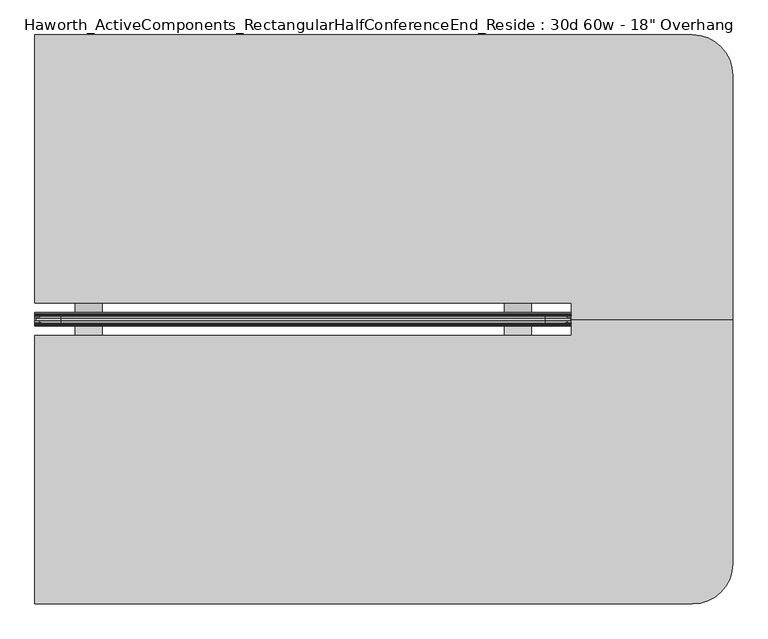
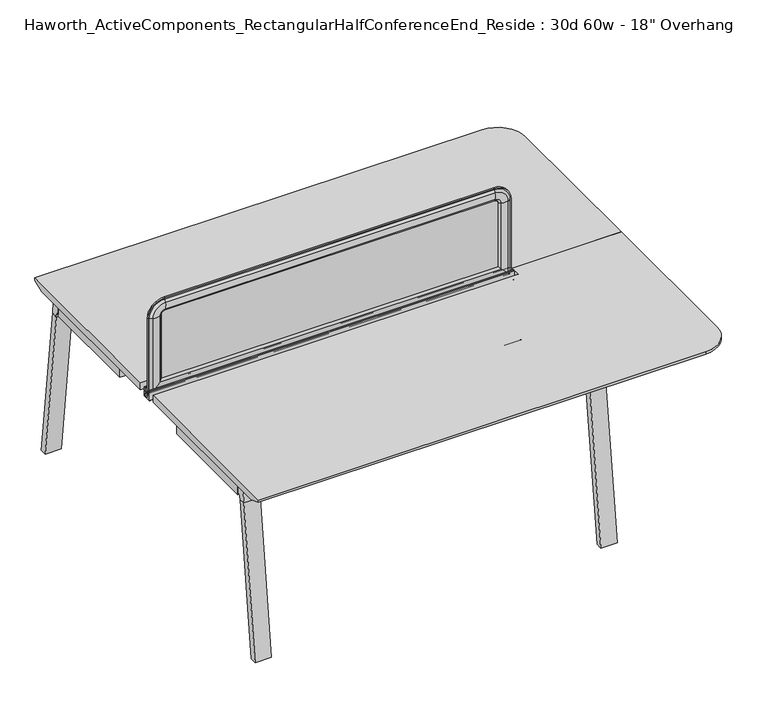
"""IFC4 building model written with IfcOpenShell, lengths in millimetres: furniture geometry."""

from ifc_helpers import new_model, si_unit, point, frame, frame_2d, origin, place, context, project, spatial, polyline, circle_curve, ellipse_curve, trimmed, segment, composite_curve, outline, extrude, source, transform, mapped, element, save
from ifc_brep_helpers import plane_surface, cylinder_surface, revolved_surface, advanced_brep


def furniture_6a80617e(model_context):
    return source(origin(), model_context, "Body", "SolidModel", [
        extrude(outline(polyline([(-102.8131637, 708.5329874), (-151.7557795, 708.5329874), (-179.9497776, 698.5000242), (-219.096734, 698.5000242), (-247.7511736, 708.5329874), (-296.6937894, 708.5329874), (-296.6937894, 711.1999758), (-247.2908229, 711.1999031), (-219.0967817, 701.1670126), (-180.4101714, 701.1670126), (-152.2161302, 711.1999031), (-102.8131637, 711.1999758), (-102.8131637, 708.5329874)])), frame((787.4, 0.0, 0.0), z_axis=(1.0, 0.0, 0.0), x_axis=(0.0, 1.0, 0.0)), (0.0, 0.0, 1.0), 76.2),
        extrude(outline(polyline([(-102.8131637, 708.5329874), (-151.7557795, 708.5329874), (-179.9497776, 698.5000242), (-219.096734, 698.5000242), (-247.7511736, 708.5329874), (-296.6937894, 708.5329874), (-296.6937894, 711.1999758), (-247.2908229, 711.1999031), (-219.0967817, 701.1670126), (-180.4101714, 701.1670126), (-152.2161302, 711.1999031), (-102.8131637, 711.1999758), (-102.8131637, 708.5329874)])), frame((-431.8, 0.0, 0.0), z_axis=(1.0, 0.0, 0.0), x_axis=(0.0, 1.0, 0.0)), (0.0, 0.0, 1.0), 76.2),
        extrude(outline(composite_curve([segment(polyline([(-208.7577768, 705.1294161), (-190.7491763, 705.1294161), (-190.7491763, 716.8133686), (-194.6734763, 716.8133686), (-194.6734763, 718.8200048), (-189.5045768, 718.8200048), (-189.5045768, 721.0551882), (-188.310777, 722.0711872), (-188.310777, 737.1334219), (-189.5045768, 738.1494209), (-189.5045768, 740.1051882), (-188.4578397, 740.9960276)]), True, "CONTINUOUS"), segment(trimmed(circle_curve(frame_2d((-188.0216309, 740.4834819)), 0.6730388), [point((-188.4578397, 740.9960276))], [point((-187.3580762, 740.5960712))], False, "CARTESIAN"), True, "CONTINUOUS"), segment(polyline([(-187.3580762, 740.5960712), (-186.2533763, 734.0854248), (-186.2533763, 721.131419), (-183.1037763, 721.131419), (-183.1037763, 725.1191843), (-182.3544761, 725.8812017), (-182.3544761, 740.3039756)]), True, "CONTINUOUS"), segment(trimmed(circle_curve(frame_2d((-181.5543762, 740.3039756)), 0.8000999), [point((-182.3544761, 740.3039756))], [point((-180.7542763, 740.3039756))], False, "CARTESIAN"), True, "CONTINUOUS"), segment(polyline([(-180.7542763, 740.3039756), (-180.7542763, 702.1830128)]), True, "CONTINUOUS"), segment(trimmed(circle_curve(frame_2d((-181.7702764, 702.1830128)), 1.0160002), [point((-180.7542763, 702.1830128))], [point((-181.7702764, 701.1670126))], False, "CARTESIAN"), True, "CONTINUOUS"), segment(polyline([(-181.7702764, 701.1670126), (-217.7366767, 701.1670126)]), True, "CONTINUOUS"), segment(trimmed(circle_curve(frame_2d((-217.7366767, 702.1830128)), 1.0160002), [point((-217.7366767, 701.1670126))], [point((-218.7526768, 702.1830128))], False, "CARTESIAN"), True, "CONTINUOUS"), segment(polyline([(-218.7526768, 702.1830128), (-218.7526768, 740.3039756)]), True, "CONTINUOUS"), segment(trimmed(circle_curve(frame_2d((-217.9525769, 740.3039756)), 0.8000999), [point((-218.7526768, 740.3039756))], [point((-217.152477, 740.3039756))], False, "CARTESIAN"), True, "CONTINUOUS"), segment(polyline([(-217.152477, 740.3039756), (-217.152477, 725.8812017), (-216.4031768, 725.1191843), (-216.4031768, 721.131419), (-213.2535769, 721.131419), (-213.2535769, 734.0854248), (-212.1488769, 740.5960712)]), True, "CONTINUOUS"), segment(trimmed(circle_curve(frame_2d((-211.4853222, 740.4834819)), 0.6730388), [point((-212.1488769, 740.5960712))], [point((-211.0491134, 740.9960276))], False, "CARTESIAN"), True, "CONTINUOUS"), segment(polyline([(-211.0491134, 740.9960276), (-210.0023763, 740.1051882), (-210.0023763, 738.1494209), (-211.1961761, 737.1334219), (-211.1961761, 722.0711872), (-210.0023763, 721.0551882), (-210.0023763, 718.8200048), (-204.8334768, 718.8200048), (-204.8334768, 716.8133686), (-208.7577768, 716.8133686), (-208.7577768, 705.1294161)]), True, "CONTINUOUS")], self_intersect=False)), frame((-546.1, 0.0, 0.0), z_axis=(1.0, 0.0, 0.0), x_axis=(0.0, 1.0, 0.0)), (0.0, 0.0, 1.0), 1524.0),
        extrude(outline(composite_curve([segment(polyline([(-891.6458875, 655.8564478), (-885.4428556, 706.4375), (-849.0409766, 706.4375), (-849.0409766, 676.1402033), (-850.2831935, 676.1402033)]), True, "CONTINUOUS"), segment(trimmed(circle_curve(frame_2d((-850.2831935, 663.4402033)), 12.7), [point((-850.2831935, 676.1402033))], [point((-862.8887567, 664.9860929))], True, "CARTESIAN"), True, "CONTINUOUS"), segment(polyline([(-862.8887567, 664.9860929), (-864.4178701, 652.5173267), (-891.6458875, 655.8564478)]), True, "CONTINUOUS")], self_intersect=False)), frame((-539.6507813, 0.0, 0.0), z_axis=(1.0, 0.0, 0.0), x_axis=(0.0, 1.0, 0.0)), (0.0, 0.0, 1.0), 67.6671875),
        extrude(outline(polyline([(-972.0771615, 0.0), (-891.6458875, 655.8564478), (-864.4178701, 652.5173267), (-944.4396597, 0.0), (-972.0771615, 0.0)])), frame((-539.6507813, 0.0, 0.0), z_axis=(1.0, 0.0, 0.0), x_axis=(0.0, 1.0, 0.0)), (0.0, 0.0, 1.0), 67.6671875),
        extrude(outline(composite_curve([segment(polyline([(-891.6458875, 655.8564478), (-885.4428556, 706.4375), (-849.0409766, 706.4375), (-849.0409766, 676.1402033), (-850.2831935, 676.1402033)]), True, "CONTINUOUS"), segment(trimmed(circle_curve(frame_2d((-850.2831935, 663.4402033)), 12.7), [point((-850.2831935, 676.1402033))], [point((-862.8887567, 664.9860929))], True, "CARTESIAN"), True, "CONTINUOUS"), segment(polyline([(-862.8887567, 664.9860929), (-864.4178701, 652.5173267), (-891.6458875, 655.8564478)]), True, "CONTINUOUS")], self_intersect=False)), frame((903.7835938, 0.0, 0.0), z_axis=(1.0, 0.0, 0.0), x_axis=(0.0, 1.0, 0.0)), (0.0, 0.0, 1.0), 67.6671875),
        extrude(outline(polyline([(-972.0771615, 0.0), (-891.6458875, 655.8564478), (-864.4178701, 652.5173267), (-944.4396597, 0.0), (-972.0771615, 0.0)])), frame((903.7835938, 0.0, 0.0), z_axis=(1.0, 0.0, 0.0), x_axis=(0.0, 1.0, 0.0)), (0.0, 0.0, 1.0), 67.6671875),
        extrude(outline(composite_curve([segment(polyline([(492.1389344, 655.8564478), (464.910917, 652.5173267), (463.3818036, 664.9860929)]), True, "CONTINUOUS"), segment(trimmed(circle_curve(frame_2d((450.7762403, 663.4402033)), 12.7), [point((463.3818036, 664.9860929))], [point((450.7762403, 676.1402033))], True, "CARTESIAN"), True, "CONTINUOUS"), segment(polyline([(450.7762403, 676.1402033), (449.5340234, 676.1402033), (449.5340234, 706.4375), (485.9359025, 706.4375), (492.1389344, 655.8564478)]), True, "CONTINUOUS")], self_intersect=False)), frame((-539.6507813, 0.0, 0.0), z_axis=(1.0, 0.0, 0.0), x_axis=(0.0, 1.0, 0.0)), (0.0, 0.0, 1.0), 67.6671875),
        extrude(outline(polyline([(572.5702084, 0.0), (544.9327065, 0.0), (464.910917, 652.5173267), (492.1389344, 655.8564478), (572.5702084, 0.0)])), frame((-539.6507813, 0.0, 0.0), z_axis=(1.0, 0.0, 0.0), x_axis=(0.0, 1.0, 0.0)), (0.0, 0.0, 1.0), 67.6671875),
        extrude(outline(composite_curve([segment(polyline([(492.1389344, 655.8564478), (464.910917, 652.5173267), (463.3818036, 664.9860929)]), True, "CONTINUOUS"), segment(trimmed(circle_curve(frame_2d((450.7762403, 663.4402033)), 12.7), [point((463.3818036, 664.9860929))], [point((450.7762403, 676.1402033))], True, "CARTESIAN"), True, "CONTINUOUS"), segment(polyline([(450.7762403, 676.1402033), (449.5340234, 676.1402033), (449.5340234, 706.4375), (485.9359025, 706.4375), (492.1389344, 655.8564478)]), True, "CONTINUOUS")], self_intersect=False)), frame((903.7835938, 0.0, 0.0), z_axis=(1.0, 0.0, 0.0), x_axis=(0.0, 1.0, 0.0)), (0.0, 0.0, 1.0), 67.6671875),
        extrude(outline(polyline([(572.5702084, 0.0), (544.9327065, 0.0), (464.910917, 652.5173267), (492.1389344, 655.8564478), (572.5702084, 0.0)])), frame((903.7835938, 0.0, 0.0), z_axis=(1.0, 0.0, 0.0), x_axis=(0.0, 1.0, 0.0)), (0.0, 0.0, 1.0), 67.6671875),
        extrude(outline(composite_curve([segment(trimmed(circle_curve(frame_2d((331.6621484, 673.1634651)), 1.5875), [point((331.6621484, 671.5759651))], [point((330.0746484, 673.1634651))], False, "CARTESIAN"), True, "CONTINUOUS"), segment(polyline([(330.0746484, 673.1634651), (330.0746484, 705.040468)]), True, "CONTINUOUS"), segment(trimmed(circle_curve(frame_2d((331.6621484, 705.040468)), 1.5875), [point((330.0746484, 705.040468))], [point((331.6621484, 706.627968))], False, "CARTESIAN"), True, "CONTINUOUS"), segment(polyline([(331.6621484, 706.627968), (363.5391514, 706.627968)]), True, "CONTINUOUS"), segment(trimmed(circle_curve(frame_2d((363.5391514, 705.040468)), 1.5875), [point((363.5391514, 706.627968))], [point((365.1266514, 705.040468))], False, "CARTESIAN"), True, "CONTINUOUS"), segment(polyline([(365.1266514, 705.040468), (365.1266514, 673.1634651)]), True, "CONTINUOUS"), segment(trimmed(circle_curve(frame_2d((363.5391514, 673.1634651)), 1.5875), [point((365.1266514, 673.1634651))], [point((363.5391514, 671.5759651))], False, "CARTESIAN"), True, "CONTINUOUS"), segment(polyline([(363.5391514, 671.5759651), (331.6621484, 671.5759651)]), True, "CONTINUOUS")], self_intersect=False)), frame((-399.6569067, 0.0, 0.0), z_axis=(1.0, 0.0, 0.0), x_axis=(0.0, 1.0, 0.0)), (0.0, 0.0, 1.0), 1231.1138134),
        extrude(outline(composite_curve([segment(polyline([(122.9058984, 671.5759651), (91.0288955, 671.5759651)]), True, "CONTINUOUS"), segment(trimmed(circle_curve(frame_2d((91.0288955, 673.1634651)), 1.5875), [point((91.0288955, 671.5759651))], [point((89.4413955, 673.1634651))], False, "CARTESIAN"), True, "CONTINUOUS"), segment(polyline([(89.4413955, 673.1634651), (89.4413955, 705.040468)]), True, "CONTINUOUS"), segment(trimmed(circle_curve(frame_2d((91.0288955, 705.040468)), 1.5875), [point((89.4413955, 705.040468))], [point((91.0288955, 706.627968))], False, "CARTESIAN"), True, "CONTINUOUS"), segment(polyline([(91.0288955, 706.627968), (122.9058984, 706.627968)]), True, "CONTINUOUS"), segment(trimmed(circle_curve(frame_2d((122.9058984, 705.040468)), 1.5875), [point((122.9058984, 706.627968))], [point((124.4933984, 705.040468))], False, "CARTESIAN"), True, "CONTINUOUS"), segment(polyline([(124.4933984, 705.040468), (124.4933984, 673.1634651)]), True, "CONTINUOUS"), segment(trimmed(circle_curve(frame_2d((122.9058984, 673.1634651)), 1.5875), [point((124.4933984, 673.1634651))], [point((122.9058984, 671.5759651))], False, "CARTESIAN"), True, "CONTINUOUS")], self_intersect=False)), frame((-399.6569067, 0.0, 0.0), z_axis=(1.0, 0.0, 0.0), x_axis=(0.0, 1.0, 0.0)), (0.0, 0.0, 1.0), 1231.1138134),
        extrude(outline(polyline([(-539.8109398, 449.3435251), (-472.3009067, 449.3435251), (-472.3009067, 441.9775234), (-399.6569067, 369.3335234), (-399.6569067, 294.4035234), (-472.3009067, 265.1300234), (-472.3009067, 189.4380234), (-399.6569067, 160.1645234), (-399.6569067, 85.2345234), (-472.3009067, 12.5905234), (-472.3009067, 5.2245217), (-539.8109398, 5.2245217), (-539.8109398, 449.3435251)])), frame((0.0, 0.0, 665.95625), z_axis=(0.0, 0.0, 1.0), x_axis=(1.0, 0.0, 0.0)), (0.0, 0.0, 1.0), 45.24375),
        extrude(outline(polyline([(971.6109398, 449.3435251), (971.6109398, 5.2245217), (904.1009067, 5.2245217), (904.1009067, 12.5905234), (831.4569067, 85.2345234), (831.4569067, 160.1645234), (904.1009067, 189.4380234), (904.1009067, 265.1300234), (831.4569067, 294.4035234), (831.4569067, 369.3335234), (904.1009067, 441.9775234), (904.1009067, 449.3435251), (971.6109398, 449.3435251)])), frame((0.0, 0.0, 665.95625), z_axis=(0.0, 0.0, 1.0), x_axis=(1.0, 0.0, 0.0)), (0.0, 0.0, 1.0), 45.24375),
        advanced_brep(
        [(977.9, -153.7159766, 741.3625), (977.9, -199.7534766, 741.3625), (1435.1, -199.7534766, 741.3625), (1435.1, 493.9840234, 741.3625), (1320.8, 608.2840234, 741.3625), (-546.1, 608.2840234, 741.3625), (-546.1, -153.7159766, 741.3625), (977.9, -153.7159766, 711.2), (-546.1, -153.7159766, 711.2), (-546.1, 557.4840234, 711.2), (1320.8, 557.4840234, 711.2), (1384.3, 493.9840234, 711.2), (1384.3, -199.7534766, 711.2), (977.9, -199.7534766, 711.2), (-546.1, 608.2840234, 731.8375), (1320.8, 608.2840234, 731.8375), (1435.1, -199.7534766, 731.8375), (1435.1, 493.9840234, 731.8375)],
        [
            (0, 1),
            (1, 2),
            (2, 3),
            (3, 4, circle_curve(frame((1320.8, 493.9840234, 741.3625), z_axis=(0.0, 0.0, 1.0), x_axis=(1.0, 0.0, 0.0)), 114.3)),
            (4, 5),
            (5, 6),
            (6, 0),
            (7, 8),
            (8, 9),
            (9, 10),
            (10, 11, circle_curve(frame((1320.8, 493.9840234, 711.2), z_axis=(0.0, 0.0, -1.0), x_axis=(0.0, 1.0, 0.0)), 63.5)),
            (11, 12),
            (12, 13),
            (13, 7),
            (6, 8),
            (7, 0),
            (5, 14),
            (14, 9),
            (4, 15),
            (15, 14),
            (2, 16),
            (16, 17),
            (17, 3),
            (17, 15, circle_curve(frame((1320.8, 493.9840234, 731.8375), z_axis=(0.0, 0.0, 1.0), x_axis=(1.0, 0.0, 0.0)), 114.3)),
            (1, 13),
            (12, 16),
            (15, 10),
            (17, 11),
        ],
        [
            plane_surface(frame((-546.1, -153.7159766, 741.3625), z_axis=(0.0, 0.0, 1.0), x_axis=(-1.0, 0.0, 0.0))),
            plane_surface(frame((-546.1, -153.7159766, 711.2), z_axis=(0.0, 0.0, -1.0), x_axis=(1.0, 0.0, 0.0))),
            plane_surface(frame((977.9, -153.7159766, 741.3625), z_axis=(0.0, -1.0, 0.0), x_axis=(0.0, 0.0, -1.0))),
            plane_surface(frame((-546.1, -153.7159766, 741.3625), z_axis=(-1.0, 0.0, 0.0), x_axis=(0.0, 0.0, -1.0))),
            plane_surface(frame((-546.1, 608.2840234, 741.3625), z_axis=(0.0, 1.0, 0.0), x_axis=(0.0, 0.0, -1.0))),
            plane_surface(frame((1435.1, 493.9840234, 741.3625), z_axis=(1.0, 0.0, 0.0), x_axis=(0.0, 0.0, -1.0))),
            cylinder_surface(frame((1320.8, 493.9840234, 711.2), z_axis=(0.0, 0.0, 1.0), x_axis=(1.0, 0.0, 0.0)), 114.3),
            plane_surface(frame((1435.1, -199.7534766, 741.3625), z_axis=(0.0, -1.0, 0.0), x_axis=(0.0, 0.0, -1.0))),
            plane_surface(frame((977.9, -199.7534766, 741.3625), z_axis=(-1.0, 0.0, 0.0), x_axis=(0.0, 0.0, -1.0))),
            plane_surface(frame((-546.1, 608.2840234, 731.8375), z_axis=(0.0, 0.376377046957703, -0.9264665771215921), x_axis=(1.0, 0.0, 0.0))),
            revolved_surface(polyline([(1320.8, 557.4840234, 711.2), (1320.8, 608.2840234, 731.8375)]), (1320.8, 493.9840234, 0.0), (0.0, 0.0, 1.0)),
            plane_surface(frame((1435.1, 493.9840234, 731.8375), z_axis=(0.376377046957703, 0.0, -0.9264665771215921), x_axis=(0.0, -1.0, 0.0))),
        ],
        [
            (0, [[1, 2, 3, 4, 5, 6, 7]]),
            (1, [[8, 9, 10, 11, 12, 13, 14]]),
            (2, [[15, -8, 16, -7]]),
            (3, [[17, 18, -9, -15, -6]]),
            (4, [[19, 20, -17, -5]]),
            (5, [[21, 22, 23, -3]]),
            (6, [[-23, 24, -19, -4]]),
            (7, [[25, -13, 26, -21, -2]]),
            (8, [[-16, -14, -25, -1]]),
            (9, [[-10, -18, -20, 27]]),
            (10, [[-24, 28, -11, -27]]),
            (11, [[-22, -26, -12, -28]]),
        ],
    ),
        advanced_brep(
        [(-542.1096882, -202.9284766, 1050.2564604), (-542.1096882, -196.5784766, 1050.2564604), (-542.1096882, -196.5784766, 715.4852418), (-542.1096882, -202.9284766, 715.4852418), (-526.5815318, -209.5746374, 1050.2564604), (-536.2365135, -202.9284766, 1050.2564604), (-536.2365135, -202.9284766, 721.3584165), (-526.5815318, -209.5746374, 731.0133982), (-497.6002339, -209.0412011, 1050.2564604), (-497.6002339, -209.0412011, 759.994696), (-487.807009, -202.9284766, 1050.2564604), (-487.807009, -202.9284766, 769.787921), (-487.807009, -196.5784766, 1050.2564604), (-487.807009, -196.5784766, 769.787921), (-497.6002339, -190.465752, 1050.2564604), (-497.6002339, -190.465752, 759.994696), (-526.5815318, -189.9323157, 1050.2564604), (-526.5815318, -189.9323157, 731.0133982), (-536.2365135, -196.5784766, 1050.2564604), (-536.2365135, -196.5784766, 721.3584165), (973.9096859, -196.5784766, 715.4852418), (973.9096859, -202.9284766, 715.4852418), (968.0365112, -202.9284766, 721.3584165), (958.3815295, -209.5746374, 731.0133982), (929.4002317, -209.0412011, 759.994696), (919.6070068, -202.9284766, 769.787921), (919.6070068, -196.5784766, 769.787921), (929.4002317, -190.465752, 759.994696), (958.3815295, -189.9323157, 731.0133982), (968.0365112, -196.5784766, 721.3584165), (973.9096859, -196.5784766, 1050.2564604), (973.9096859, -202.9284766, 1050.2564604), (968.0365112, -202.9284766, 1050.2564604), (958.3815295, -209.5746374, 1050.2564604), (929.4002317, -209.0412011, 1050.2564604), (919.6070068, -202.9284766, 1050.2564604), (919.6070068, -196.5784766, 1050.2564604), (929.4002317, -190.465752, 1050.2564604), (958.3815295, -189.9323157, 1050.2564604), (968.0365112, -196.5784766, 1050.2564604), (903.7320068, -202.9284766, 1120.4341395), (903.7320068, -196.5784766, 1120.4341395), (903.7320068, -209.5746374, 1104.9059832), (903.7320068, -202.9284766, 1114.5609648), (903.7320068, -209.0412011, 1075.9246853), (903.7320068, -202.9284766, 1066.1314604), (903.7320068, -196.5784766, 1066.1314604), (903.7320068, -190.465752, 1075.9246853), (903.7320068, -189.9323157, 1104.9059832), (903.7320068, -196.5784766, 1114.5609648), (-471.932009, -196.5784766, 1120.4341395), (-471.932009, -202.9284766, 1120.4341395), (-471.932009, -202.9284766, 1114.5609648), (-471.932009, -209.5746374, 1104.9059832), (-471.932009, -209.0412011, 1075.9246853), (-471.932009, -202.9284766, 1066.1314604), (-471.932009, -196.5784766, 1066.1314604), (-471.932009, -190.465752, 1075.9246853), (-471.932009, -189.9323157, 1104.9059832), (-471.932009, -196.5784766, 1114.5609648)],
        [
            (0, 1),
            (1, 2),
            (2, 3),
            (3, 0),
            (4, 5, circle_curve(frame((-522.3864346, -193.1443023, 1050.2564604), z_axis=(0.0, 0.0, -1.0), x_axis=(0.0, -1.0, 0.0)), 16.9574394)),
            (5, 6),
            (6, 7, ellipse_curve(frame((-522.3864346, -193.1443023, 735.2084954), z_axis=(-0.707106781186545, 0.0, 0.7071067811865499), x_axis=(0.7071067811865499, 0.0, 0.7071067811865451)), 23.9814408, 16.9574394)),
            (7, 4),
            (8, 4, circle_curve(frame((-513.0606786, -156.619453, 1050.2564604), z_axis=(0.0, 0.0, -1.0), x_axis=(0.0, -1.0, 0.0)), 54.6540486)),
            (7, 9, ellipse_curve(frame((-513.0606786, -156.619453, 744.5342514), z_axis=(-0.707106781186545, 0.0, 0.7071067811865499), x_axis=(0.7071067811865499, 0.0, 0.7071067811865451)), 77.2924967, 54.6540486)),
            (9, 8),
            (10, 8, circle_curve(frame((-503.6950958, -188.375346, 1050.2564604), z_axis=(0.0, 0.0, -1.0), x_axis=(0.0, -1.0, 0.0)), 21.5458792)),
            (9, 11, ellipse_curve(frame((-503.6950958, -188.375346, 753.8998342), z_axis=(-0.707106781186545, 0.0, 0.7071067811865499), x_axis=(0.7071067811865499, 0.0, 0.7071067811865451)), 30.4704745, 21.5458792)),
            (11, 10),
            (12, 10),
            (11, 13),
            (13, 12),
            (14, 12, circle_curve(frame((-503.6950958, -211.1316071, 1050.2564604), z_axis=(0.0, 0.0, -1.0), x_axis=(0.0, -1.0, 0.0)), 21.5458792)),
            (13, 15, ellipse_curve(frame((-503.6950958, -211.1316071, 753.8998342), z_axis=(-0.707106781186545, 0.0, 0.7071067811865499), x_axis=(0.7071067811865499, 0.0, 0.7071067811865451)), 30.4704745, 21.5458792)),
            (15, 14),
            (16, 14, circle_curve(frame((-513.0606786, -242.8875001, 1050.2564604), z_axis=(0.0, 0.0, -1.0), x_axis=(0.0, -1.0, 0.0)), 54.6540486)),
            (15, 17, ellipse_curve(frame((-513.0606786, -242.8875001, 744.5342514), z_axis=(-0.707106781186545, 0.0, 0.7071067811865499), x_axis=(0.7071067811865499, 0.0, 0.7071067811865451)), 77.2924967, 54.6540486)),
            (17, 16),
            (18, 16, circle_curve(frame((-522.3864346, -206.3626508, 1050.2564604), z_axis=(0.0, 0.0, -1.0), x_axis=(0.0, -1.0, 0.0)), 16.9574394)),
            (17, 19, ellipse_curve(frame((-522.3864346, -206.3626508, 735.2084954), z_axis=(-0.707106781186545, 0.0, 0.7071067811865499), x_axis=(0.7071067811865499, 0.0, 0.7071067811865451)), 23.9814408, 16.9574394)),
            (19, 18),
            (2, 20),
            (20, 21),
            (21, 3),
            (6, 22),
            (22, 23, ellipse_curve(frame((954.1864323, -193.1443023, 735.2084954), z_axis=(-0.7071067811865498, 0.0, -0.7071067811865451), x_axis=(-0.7071067811865455, 0.0, 0.7071067811865497)), 23.9814408, 16.9574394)),
            (23, 7),
            (23, 24, ellipse_curve(frame((944.8606764, -156.619453, 744.5342514), z_axis=(-0.7071067811865498, 0.0, -0.7071067811865451), x_axis=(-0.7071067811865455, 0.0, 0.7071067811865497)), 77.2924967, 54.6540486)),
            (24, 9),
            (24, 25, ellipse_curve(frame((935.4950935, -188.375346, 753.8998342), z_axis=(-0.7071067811865498, 0.0, -0.7071067811865451), x_axis=(-0.7071067811865455, 0.0, 0.7071067811865497)), 30.4704745, 21.5458792)),
            (25, 11),
            (25, 26),
            (26, 13),
            (26, 27, ellipse_curve(frame((935.4950935, -211.1316071, 753.8998342), z_axis=(-0.7071067811865498, 0.0, -0.7071067811865451), x_axis=(-0.7071067811865455, 0.0, 0.7071067811865497)), 30.4704745, 21.5458792)),
            (27, 15),
            (27, 28, ellipse_curve(frame((944.8606764, -242.8875001, 744.5342514), z_axis=(-0.7071067811865498, 0.0, -0.7071067811865451), x_axis=(-0.7071067811865455, 0.0, 0.7071067811865497)), 77.2924967, 54.6540486)),
            (28, 17),
            (28, 29, ellipse_curve(frame((954.1864323, -206.3626508, 735.2084954), z_axis=(-0.7071067811865498, 0.0, -0.7071067811865451), x_axis=(-0.7071067811865455, 0.0, 0.7071067811865497)), 23.9814408, 16.9574394)),
            (29, 19),
            (20, 30),
            (30, 31),
            (31, 21),
            (22, 32),
            (32, 33, circle_curve(frame((954.1864323, -193.1443023, 1050.2564604), z_axis=(0.0, 0.0, -1.0), x_axis=(0.0, -1.0, 0.0)), 16.9574394)),
            (33, 23),
            (33, 34, circle_curve(frame((944.8606764, -156.619453, 1050.2564604), z_axis=(0.0, 0.0, -1.0), x_axis=(0.0, -1.0, 0.0)), 54.6540486)),
            (34, 24),
            (34, 35, circle_curve(frame((935.4950935, -188.375346, 1050.2564604), z_axis=(0.0, 0.0, -1.0), x_axis=(0.0, -1.0, 0.0)), 21.5458792)),
            (35, 25),
            (35, 36),
            (36, 26),
            (36, 37, circle_curve(frame((935.4950935, -211.1316071, 1050.2564604), z_axis=(0.0, 0.0, -1.0), x_axis=(0.0, -1.0, 0.0)), 21.5458792)),
            (37, 27),
            (37, 38, circle_curve(frame((944.8606764, -242.8875001, 1050.2564604), z_axis=(0.0, 0.0, -1.0), x_axis=(0.0, -1.0, 0.0)), 54.6540486)),
            (38, 28),
            (38, 39, circle_curve(frame((954.1864323, -206.3626508, 1050.2564604), z_axis=(0.0, 0.0, -1.0), x_axis=(0.0, -1.0, 0.0)), 16.9574394)),
            (39, 29),
            (40, 31, circle_curve(frame((903.7320068, -202.9284766, 1050.2564604), z_axis=(0.0, 1.0, 0.0), x_axis=(1.0, 0.0, 0.0)), 70.1776791)),
            (30, 41, circle_curve(frame((903.7320068, -196.5784766, 1050.2564604), z_axis=(0.0, -1.0, 0.0), x_axis=(1.0, 0.0, 0.0)), 70.1776791)),
            (41, 40),
            (42, 33, circle_curve(frame((903.7320068, -209.5746374, 1050.2564604), z_axis=(0.0, 1.0, 0.0), x_axis=(1.0, 0.0, 0.0)), 54.6495228)),
            (32, 43, circle_curve(frame((903.7320068, -202.9284766, 1050.2564604), z_axis=(0.0, -1.0, 0.0), x_axis=(1.0, 0.0, 0.0)), 64.3045045)),
            (43, 42, circle_curve(frame((903.7320068, -193.1443023, 1100.7108859), z_axis=(1.0, 0.0, 0.0), x_axis=(0.0, -1.0, 0.0)), 16.9574394)),
            (44, 34, circle_curve(frame((903.7320068, -209.0412011, 1050.2564604), z_axis=(0.0, 1.0, 0.0), x_axis=(1.0, 0.0, 0.0)), 25.6682249)),
            (42, 44, circle_curve(frame((903.7320068, -156.619453, 1091.38513), z_axis=(1.0, 0.0, 0.0), x_axis=(0.0, -1.0, 0.0)), 54.6540486)),
            (45, 35, circle_curve(frame((903.7320068, -202.9284766, 1050.2564604), z_axis=(0.0, 1.0, 0.0), x_axis=(1.0, 0.0, 0.0)), 15.875)),
            (44, 45, circle_curve(frame((903.7320068, -188.375346, 1082.0195471), z_axis=(1.0, 0.0, 0.0), x_axis=(0.0, -1.0, 0.0)), 21.5458792)),
            (46, 36, circle_curve(frame((903.7320068, -196.5784766, 1050.2564604), z_axis=(0.0, 1.0, 0.0), x_axis=(1.0, 0.0, 0.0)), 15.875)),
            (45, 46),
            (47, 37, circle_curve(frame((903.7320068, -190.465752, 1050.2564604), z_axis=(0.0, 1.0, 0.0), x_axis=(1.0, 0.0, 0.0)), 25.6682249)),
            (46, 47, circle_curve(frame((903.7320068, -211.1316071, 1082.0195471), z_axis=(1.0, 0.0, 0.0), x_axis=(0.0, -1.0, 0.0)), 21.5458792)),
            (48, 38, circle_curve(frame((903.7320068, -189.9323157, 1050.2564604), z_axis=(0.0, 1.0, 0.0), x_axis=(1.0, 0.0, 0.0)), 54.6495228)),
            (47, 48, circle_curve(frame((903.7320068, -242.8875001, 1091.38513), z_axis=(1.0, 0.0, 0.0), x_axis=(0.0, -1.0, 0.0)), 54.6540486)),
            (49, 39, circle_curve(frame((903.7320068, -196.5784766, 1050.2564604), z_axis=(0.0, 1.0, 0.0), x_axis=(1.0, 0.0, 0.0)), 64.3045045)),
            (48, 49, circle_curve(frame((903.7320068, -206.3626508, 1100.7108859), z_axis=(1.0, 0.0, 0.0), x_axis=(0.0, -1.0, 0.0)), 16.9574394)),
            (41, 50),
            (50, 51),
            (51, 40),
            (43, 52),
            (52, 53, circle_curve(frame((-471.932009, -193.1443023, 1100.7108859), z_axis=(1.0, 0.0, 0.0), x_axis=(0.0, -1.0, 0.0)), 16.9574394)),
            (53, 42),
            (53, 54, circle_curve(frame((-471.932009, -156.619453, 1091.38513), z_axis=(1.0, 0.0, 0.0), x_axis=(0.0, -1.0, 0.0)), 54.6540486)),
            (54, 44),
            (54, 55, circle_curve(frame((-471.932009, -188.375346, 1082.0195471), z_axis=(1.0, 0.0, 0.0), x_axis=(0.0, -1.0, 0.0)), 21.5458792)),
            (55, 45),
            (55, 56),
            (56, 46),
            (56, 57, circle_curve(frame((-471.932009, -211.1316071, 1082.0195471), z_axis=(1.0, 0.0, 0.0), x_axis=(0.0, -1.0, 0.0)), 21.5458792)),
            (57, 47),
            (57, 58, circle_curve(frame((-471.932009, -242.8875001, 1091.38513), z_axis=(1.0, 0.0, 0.0), x_axis=(0.0, -1.0, 0.0)), 54.6540486)),
            (58, 48),
            (58, 59, circle_curve(frame((-471.932009, -206.3626508, 1100.7108859), z_axis=(1.0, 0.0, 0.0), x_axis=(0.0, -1.0, 0.0)), 16.9574394)),
            (59, 49),
            (0, 51, circle_curve(frame((-471.932009, -202.9284766, 1050.2564604), z_axis=(0.0, 1.0, 0.0), x_axis=(0.0, 0.0, 1.0)), 70.1776791)),
            (50, 1, circle_curve(frame((-471.932009, -196.5784766, 1050.2564604), z_axis=(0.0, -1.0, 0.0), x_axis=(0.0, 0.0, 1.0)), 70.1776791)),
            (5, 52, circle_curve(frame((-471.932009, -202.9284766, 1050.2564604), z_axis=(0.0, 1.0, 0.0), x_axis=(0.0, 0.0, 1.0)), 64.3045045)),
            (4, 53, circle_curve(frame((-471.932009, -209.5746374, 1050.2564604), z_axis=(0.0, 1.0, 0.0), x_axis=(0.0, 0.0, 1.0)), 54.6495228)),
            (8, 54, circle_curve(frame((-471.932009, -209.0412011, 1050.2564604), z_axis=(0.0, 1.0, 0.0), x_axis=(0.0, 0.0, 1.0)), 25.6682249)),
            (10, 55, circle_curve(frame((-471.932009, -202.9284766, 1050.2564604), z_axis=(0.0, 1.0, 0.0), x_axis=(0.0, 0.0, 1.0)), 15.875)),
            (12, 56, circle_curve(frame((-471.932009, -196.5784766, 1050.2564604), z_axis=(0.0, 1.0, 0.0), x_axis=(0.0, 0.0, 1.0)), 15.875)),
            (14, 57, circle_curve(frame((-471.932009, -190.465752, 1050.2564604), z_axis=(0.0, 1.0, 0.0), x_axis=(0.0, 0.0, 1.0)), 25.6682249)),
            (16, 58, circle_curve(frame((-471.932009, -189.9323157, 1050.2564604), z_axis=(0.0, 1.0, 0.0), x_axis=(0.0, 0.0, 1.0)), 54.6495228)),
            (18, 59, circle_curve(frame((-471.932009, -196.5784766, 1050.2564604), z_axis=(0.0, 1.0, 0.0), x_axis=(0.0, 0.0, 1.0)), 64.3045045)),
        ],
        [
            plane_surface(frame((-542.1096882, -196.5784766, 1050.2564604), z_axis=(-1.0, 0.0, 0.0), x_axis=(0.0, 0.0, -1.0))),
            cylinder_surface(frame((-522.3864346, -193.1443023, 1050.2564604), z_axis=(0.0, 0.0, 1.0), x_axis=(0.0, -1.0, 0.0)), 16.9574394),
            cylinder_surface(frame((-513.0606786, -156.619453, 1050.2564604), z_axis=(0.0, 0.0, 1.0), x_axis=(0.0, -1.0, 0.0)), 54.6540486),
            cylinder_surface(frame((-503.6950958, -188.375346, 1050.2564604), z_axis=(0.0, 0.0, 1.0), x_axis=(0.0, -1.0, 0.0)), 21.5458792),
            plane_surface(frame((-487.807009, -202.9284766, 1050.2564604), z_axis=(1.0, 0.0, 0.0), x_axis=(0.0, 0.0, -1.0))),
            cylinder_surface(frame((-503.6950958, -211.1316071, 1050.2564604), z_axis=(0.0, 0.0, 1.0), x_axis=(0.0, -1.0, 0.0)), 21.5458792),
            cylinder_surface(frame((-513.0606786, -242.8875001, 1050.2564604), z_axis=(0.0, 0.0, 1.0), x_axis=(0.0, -1.0, 0.0)), 54.6540486),
            cylinder_surface(frame((-522.3864346, -206.3626508, 1050.2564604), z_axis=(0.0, 0.0, 1.0), x_axis=(0.0, -1.0, 0.0)), 16.9574394),
            plane_surface(frame((-542.1096882, -196.5784766, 715.4852418), z_axis=(0.0, 0.0, -1.0), x_axis=(1.0, 0.0, 0.0))),
            cylinder_surface(frame((-487.807009, -193.1443023, 735.2084954), z_axis=(-1.0, 0.0, 0.0), x_axis=(0.0, -1.0, 0.0)), 16.9574394),
            cylinder_surface(frame((-487.807009, -156.619453, 744.5342514), z_axis=(-1.0, 0.0, 0.0), x_axis=(0.0, -1.0, 0.0)), 54.6540486),
            cylinder_surface(frame((-487.807009, -188.375346, 753.8998342), z_axis=(-1.0, 0.0, 0.0), x_axis=(0.0, -1.0, 0.0)), 21.5458792),
            plane_surface(frame((-487.807009, -202.9284766, 769.787921), z_axis=(0.0, 0.0, 1.0), x_axis=(1.0, 0.0, 0.0))),
            cylinder_surface(frame((-487.807009, -211.1316071, 753.8998342), z_axis=(-1.0, 0.0, 0.0), x_axis=(0.0, -1.0, 0.0)), 21.5458792),
            cylinder_surface(frame((-487.807009, -242.8875001, 744.5342514), z_axis=(-1.0, 0.0, 0.0), x_axis=(0.0, -1.0, 0.0)), 54.6540486),
            cylinder_surface(frame((-487.807009, -206.3626508, 735.2084954), z_axis=(-1.0, 0.0, 0.0), x_axis=(0.0, -1.0, 0.0)), 16.9574394),
            plane_surface(frame((973.9096859, -196.5784766, 715.4852418), z_axis=(1.0, 0.0, 0.0), x_axis=(0.0, 0.0, 1.0))),
            cylinder_surface(frame((954.1864323, -193.1443023, 769.787921), z_axis=(0.0, 0.0, -1.0), x_axis=(0.0, -1.0, 0.0)), 16.9574394),
            cylinder_surface(frame((944.8606764, -156.619453, 769.787921), z_axis=(0.0, 0.0, -1.0), x_axis=(0.0, -1.0, 0.0)), 54.6540486),
            cylinder_surface(frame((935.4950935, -188.375346, 769.787921), z_axis=(0.0, 0.0, -1.0), x_axis=(0.0, -1.0, 0.0)), 21.5458792),
            plane_surface(frame((919.6070068, -202.9284766, 769.787921), z_axis=(-1.0, 0.0, 0.0), x_axis=(0.0, 0.0, 1.0))),
            cylinder_surface(frame((935.4950935, -211.1316071, 769.787921), z_axis=(0.0, 0.0, -1.0), x_axis=(0.0, -1.0, 0.0)), 21.5458792),
            cylinder_surface(frame((944.8606764, -242.8875001, 769.787921), z_axis=(0.0, 0.0, -1.0), x_axis=(0.0, -1.0, 0.0)), 54.6540486),
            cylinder_surface(frame((954.1864323, -206.3626508, 769.787921), z_axis=(0.0, 0.0, -1.0), x_axis=(0.0, -1.0, 0.0)), 16.9574394),
            cylinder_surface(frame((903.7320068, -202.9284766, 1050.2564604), z_axis=(0.0, -1.0, 0.0), x_axis=(1.0, 0.0, 0.0)), 70.1776791),
            revolved_surface(trimmed(ellipse_curve(frame((954.1864323, -193.1443023, 1050.2564604), z_axis=(0.0, 0.0, -1.0), x_axis=(0.0, -1.0, 0.0)), 16.9574394, 16.9574394), [point((968.0365112, -202.9284766, 1050.2564604))], [point((958.3815295, -209.5746374, 1050.2564604))], True, "CARTESIAN"), (903.7320068, -202.9284766, 1050.2564604), (0.0, -1.0, 0.0)),
            revolved_surface(trimmed(ellipse_curve(frame((944.8606764, -156.619453, 1050.2564604), z_axis=(0.0, 0.0, -1.0), x_axis=(0.0, -1.0, 0.0)), 54.6540486, 54.6540486), [point((958.3815295, -209.5746374, 1050.2564604))], [point((929.4002317, -209.0412011, 1050.2564604))], True, "CARTESIAN"), (903.7320068, -202.9284766, 1050.2564604), (0.0, -1.0, 0.0)),
            revolved_surface(trimmed(ellipse_curve(frame((935.4950935, -188.375346, 1050.2564604), z_axis=(0.0, 0.0, -1.0), x_axis=(0.0, -1.0, 0.0)), 21.5458792, 21.5458792), [point((929.4002317, -209.0412011, 1050.2564604))], [point((919.6070068, -202.9284766, 1050.2564604))], True, "CARTESIAN"), (903.7320068, -202.9284766, 1050.2564604), (0.0, -1.0, 0.0)),
            revolved_surface(polyline([(919.6070068, -202.9284766, 1050.2564604), (919.6070068, -196.5784766, 1050.2564604)]), (903.7320068, -202.9284766, 1050.2564604), (0.0, -1.0, 0.0)),
            revolved_surface(trimmed(ellipse_curve(frame((935.4950935, -211.1316071, 1050.2564604), z_axis=(0.0, 0.0, -1.0), x_axis=(0.0, -1.0, 0.0)), 21.5458792, 21.5458792), [point((919.6070068, -196.5784766, 1050.2564604))], [point((929.4002317, -190.465752, 1050.2564604))], True, "CARTESIAN"), (903.7320068, -202.9284766, 1050.2564604), (0.0, -1.0, 0.0)),
            revolved_surface(trimmed(ellipse_curve(frame((944.8606764, -242.8875001, 1050.2564604), z_axis=(0.0, 0.0, -1.0), x_axis=(0.0, -1.0, 0.0)), 54.6540486, 54.6540486), [point((929.4002317, -190.465752, 1050.2564604))], [point((958.3815295, -189.9323157, 1050.2564604))], True, "CARTESIAN"), (903.7320068, -202.9284766, 1050.2564604), (0.0, -1.0, 0.0)),
            revolved_surface(trimmed(ellipse_curve(frame((954.1864323, -206.3626508, 1050.2564604), z_axis=(0.0, 0.0, -1.0), x_axis=(0.0, -1.0, 0.0)), 16.9574394, 16.9574394), [point((958.3815295, -189.9323157, 1050.2564604))], [point((968.0365112, -196.5784766, 1050.2564604))], True, "CARTESIAN"), (903.7320068, -202.9284766, 1050.2564604), (0.0, -1.0, 0.0)),
            plane_surface(frame((903.7320068, -196.5784766, 1120.4341395), z_axis=(0.0, 0.0, 1.0), x_axis=(-1.0, 0.0, 0.0))),
            cylinder_surface(frame((903.7320068, -193.1443023, 1100.7108859), z_axis=(1.0, 0.0, 0.0), x_axis=(0.0, -1.0, 0.0)), 16.9574394),
            cylinder_surface(frame((903.7320068, -156.619453, 1091.38513), z_axis=(1.0, 0.0, 0.0), x_axis=(0.0, -1.0, 0.0)), 54.6540486),
            cylinder_surface(frame((903.7320068, -188.375346, 1082.0195471), z_axis=(1.0, 0.0, 0.0), x_axis=(0.0, -1.0, 0.0)), 21.5458792),
            plane_surface(frame((903.7320068, -202.9284766, 1066.1314604), z_axis=(0.0, 0.0, -1.0), x_axis=(-1.0, 0.0, 0.0))),
            cylinder_surface(frame((903.7320068, -211.1316071, 1082.0195471), z_axis=(1.0, 0.0, 0.0), x_axis=(0.0, -1.0, 0.0)), 21.5458792),
            cylinder_surface(frame((903.7320068, -242.8875001, 1091.38513), z_axis=(1.0, 0.0, 0.0), x_axis=(0.0, -1.0, 0.0)), 54.6540486),
            cylinder_surface(frame((903.7320068, -206.3626508, 1100.7108859), z_axis=(1.0, 0.0, 0.0), x_axis=(0.0, -1.0, 0.0)), 16.9574394),
            cylinder_surface(frame((-471.932009, -202.9284766, 1050.2564604), z_axis=(0.0, -1.0, 0.0), x_axis=(0.0, 0.0, 1.0)), 70.1776791),
            plane_surface(frame((-471.932009, -202.9284766, 1050.2564604), z_axis=(0.0, -1.0, 0.0), x_axis=(0.0, 0.0, 1.0))),
            revolved_surface(trimmed(ellipse_curve(frame((-471.932009, -193.1443023, 1100.7108859), z_axis=(1.0, 0.0, 0.0), x_axis=(0.0, -1.0, 0.0)), 16.9574394, 16.9574394), [point((-471.932009, -202.9284766, 1114.5609648))], [point((-471.932009, -209.5746374, 1104.9059832))], True, "CARTESIAN"), (-471.932009, -202.9284766, 1050.2564604), (0.0, -1.0, 0.0)),
            revolved_surface(trimmed(ellipse_curve(frame((-471.932009, -156.619453, 1091.38513), z_axis=(1.0, 0.0, 0.0), x_axis=(0.0, -1.0, 0.0)), 54.6540486, 54.6540486), [point((-471.932009, -209.5746374, 1104.9059832))], [point((-471.932009, -209.0412011, 1075.9246853))], True, "CARTESIAN"), (-471.932009, -202.9284766, 1050.2564604), (0.0, -1.0, 0.0)),
            revolved_surface(trimmed(ellipse_curve(frame((-471.932009, -188.375346, 1082.0195471), z_axis=(1.0, 0.0, 0.0), x_axis=(0.0, -1.0, 0.0)), 21.5458792, 21.5458792), [point((-471.932009, -209.0412011, 1075.9246853))], [point((-471.932009, -202.9284766, 1066.1314604))], True, "CARTESIAN"), (-471.932009, -202.9284766, 1050.2564604), (0.0, -1.0, 0.0)),
            revolved_surface(polyline([(-471.932009, -202.9284766, 1066.1314604), (-471.932009, -196.5784766, 1066.1314604)]), (-471.932009, -202.9284766, 1050.2564604), (0.0, -1.0, 0.0)),
            revolved_surface(trimmed(ellipse_curve(frame((-471.932009, -211.1316071, 1082.0195471), z_axis=(1.0, 0.0, 0.0), x_axis=(0.0, -1.0, 0.0)), 21.5458792, 21.5458792), [point((-471.932009, -196.5784766, 1066.1314604))], [point((-471.932009, -190.465752, 1075.9246853))], True, "CARTESIAN"), (-471.932009, -202.9284766, 1050.2564604), (0.0, -1.0, 0.0)),
            revolved_surface(trimmed(ellipse_curve(frame((-471.932009, -242.8875001, 1091.38513), z_axis=(1.0, 0.0, 0.0), x_axis=(0.0, -1.0, 0.0)), 54.6540486, 54.6540486), [point((-471.932009, -190.465752, 1075.9246853))], [point((-471.932009, -189.9323157, 1104.9059832))], True, "CARTESIAN"), (-471.932009, -202.9284766, 1050.2564604), (0.0, -1.0, 0.0)),
            revolved_surface(trimmed(ellipse_curve(frame((-471.932009, -206.3626508, 1100.7108859), z_axis=(1.0, 0.0, 0.0), x_axis=(0.0, -1.0, 0.0)), 16.9574394, 16.9574394), [point((-471.932009, -189.9323157, 1104.9059832))], [point((-471.932009, -196.5784766, 1114.5609648))], True, "CARTESIAN"), (-471.932009, -202.9284766, 1050.2564604), (0.0, -1.0, 0.0)),
            plane_surface(frame((-471.932009, -196.5784766, 1050.2564604), z_axis=(0.0, 1.0, 0.0), x_axis=(0.0, 0.0, 1.0))),
        ],
        [
            (0, [[1, 2, 3, 4]]),
            (1, [[5, 6, 7, 8]]),
            (2, [[9, -8, 10, 11]]),
            (3, [[12, -11, 13, 14]]),
            (4, [[15, -14, 16, 17]]),
            (5, [[18, -17, 19, 20]]),
            (6, [[21, -20, 22, 23]]),
            (7, [[24, -23, 25, 26]]),
            (8, [[-3, 27, 28, 29]]),
            (9, [[-7, 30, 31, 32]]),
            (10, [[-10, -32, 33, 34]]),
            (11, [[-13, -34, 35, 36]]),
            (12, [[-16, -36, 37, 38]]),
            (13, [[-19, -38, 39, 40]]),
            (14, [[-22, -40, 41, 42]]),
            (15, [[-25, -42, 43, 44]]),
            (16, [[-28, 45, 46, 47]]),
            (17, [[-31, 48, 49, 50]]),
            (18, [[-33, -50, 51, 52]]),
            (19, [[-35, -52, 53, 54]]),
            (20, [[-37, -54, 55, 56]]),
            (21, [[-39, -56, 57, 58]]),
            (22, [[-41, -58, 59, 60]]),
            (23, [[-43, -60, 61, 62]]),
            (24, [[63, -46, 64, 65]]),
            (25, [[66, -49, 67, 68]]),
            (26, [[69, -51, -66, 70]]),
            (27, [[71, -53, -69, 72]]),
            (28, [[73, -55, -71, 74]]),
            (29, [[75, -57, -73, 76]]),
            (30, [[77, -59, -75, 78]]),
            (31, [[79, -61, -77, 80]]),
            (32, [[-65, 81, 82, 83]]),
            (33, [[-68, 84, 85, 86]]),
            (34, [[-70, -86, 87, 88]]),
            (35, [[-72, -88, 89, 90]]),
            (36, [[-74, -90, 91, 92]]),
            (37, [[-76, -92, 93, 94]]),
            (38, [[-78, -94, 95, 96]]),
            (39, [[-80, -96, 97, 98]]),
            (40, [[99, -82, 100, -1]]),
            (41, [[-63, -83, -99, -4, -29, -47], [101, -84, -67, -48, -30, -6]]),
            (42, [[102, -85, -101, -5]]),
            (43, [[103, -87, -102, -9]]),
            (44, [[104, -89, -103, -12]]),
            (45, [[105, -91, -104, -15]]),
            (46, [[106, -93, -105, -18]]),
            (47, [[107, -95, -106, -21]]),
            (48, [[108, -97, -107, -24]]),
            (49, [[-100, -81, -64, -45, -27, -2], [-79, -98, -108, -26, -44, -62]]),
        ],
    ),
        extrude(outline(composite_curve([segment(polyline([(769.787921, 919.6070068), (1050.2564604, 919.6070068)]), True, "CONTINUOUS"), segment(trimmed(circle_curve(frame_2d((1050.2564604, 903.7320068)), 15.875), [point((1050.2564604, 919.6070068))], [point((1066.1314604, 903.7320068))], False, "CARTESIAN"), True, "CONTINUOUS"), segment(polyline([(1066.1314604, 903.7320068), (1066.1314604, -471.932009)]), True, "CONTINUOUS"), segment(trimmed(circle_curve(frame_2d((1050.2564604, -471.932009)), 15.875), [point((1066.1314604, -471.932009))], [point((1050.2564604, -487.807009))], False, "CARTESIAN"), True, "CONTINUOUS"), segment(polyline([(1050.2564604, -487.807009), (769.787921, -487.807009), (769.787921, 919.6070068)]), True, "CONTINUOUS")], self_intersect=False)), frame((0.0, -202.9284766, 0.0), z_axis=(0.0, 1.0, 0.0), x_axis=(0.0, 0.0, 1.0)), (0.0, 0.0, 1.0), 6.35),
        extrude(outline(composite_curve([segment(polyline([(-731.1691016, 671.5759651), (-763.0461045, 671.5759651)]), True, "CONTINUOUS"), segment(trimmed(circle_curve(frame_2d((-763.0461045, 673.1634651)), 1.5875), [point((-763.0461045, 671.5759651))], [point((-764.6336045, 673.1634651))], False, "CARTESIAN"), True, "CONTINUOUS"), segment(polyline([(-764.6336045, 673.1634651), (-764.6336045, 705.040468)]), True, "CONTINUOUS"), segment(trimmed(circle_curve(frame_2d((-763.0461045, 705.040468)), 1.5875), [point((-764.6336045, 705.040468))], [point((-763.0461045, 706.627968))], False, "CARTESIAN"), True, "CONTINUOUS"), segment(polyline([(-763.0461045, 706.627968), (-731.1691016, 706.627968)]), True, "CONTINUOUS"), segment(trimmed(circle_curve(frame_2d((-731.1691016, 705.040468)), 1.5875), [point((-731.1691016, 706.627968))], [point((-729.5816016, 705.040468))], False, "CARTESIAN"), True, "CONTINUOUS"), segment(polyline([(-729.5816016, 705.040468), (-729.5816016, 673.1634651)]), True, "CONTINUOUS"), segment(trimmed(circle_curve(frame_2d((-731.1691016, 673.1634651)), 1.5875), [point((-729.5816016, 673.1634651))], [point((-731.1691016, 671.5759651))], False, "CARTESIAN"), True, "CONTINUOUS")], self_intersect=False)), frame((-399.6569067, 0.0, 0.0), z_axis=(1.0, 0.0, 0.0), x_axis=(0.0, 1.0, 0.0)), (0.0, 0.0, 1.0), 1231.1138134),
        extrude(outline(composite_curve([segment(trimmed(circle_curve(frame_2d((-522.4128516, 673.1634651)), 1.5875), [point((-522.4128516, 671.5759651))], [point((-524.0003516, 673.1634651))], False, "CARTESIAN"), True, "CONTINUOUS"), segment(polyline([(-524.0003516, 673.1634651), (-524.0003516, 705.040468)]), True, "CONTINUOUS"), segment(trimmed(circle_curve(frame_2d((-522.4128516, 705.040468)), 1.5875), [point((-524.0003516, 705.040468))], [point((-522.4128516, 706.627968))], False, "CARTESIAN"), True, "CONTINUOUS"), segment(polyline([(-522.4128516, 706.627968), (-490.5358486, 706.627968)]), True, "CONTINUOUS"), segment(trimmed(circle_curve(frame_2d((-490.5358486, 705.040468)), 1.5875), [point((-490.5358486, 706.627968))], [point((-488.9483486, 705.040468))], False, "CARTESIAN"), True, "CONTINUOUS"), segment(polyline([(-488.9483486, 705.040468), (-488.9483486, 673.1634651)]), True, "CONTINUOUS"), segment(trimmed(circle_curve(frame_2d((-490.5358486, 673.1634651)), 1.5875), [point((-488.9483486, 673.1634651))], [point((-490.5358486, 671.5759651))], False, "CARTESIAN"), True, "CONTINUOUS"), segment(polyline([(-490.5358486, 671.5759651), (-522.4128516, 671.5759651)]), True, "CONTINUOUS")], self_intersect=False)), frame((-399.6569067, 0.0, 0.0), z_axis=(1.0, 0.0, 0.0), x_axis=(0.0, 1.0, 0.0)), (0.0, 0.0, 1.0), 1231.1138134),
        extrude(outline(polyline([(-539.8109398, -848.8504783), (-539.8109398, -404.7314749), (-472.3009067, -404.7314749), (-472.3009067, -412.0974766), (-399.6569067, -484.7414766), (-399.6569067, -559.6714766), (-472.3009067, -588.9449766), (-472.3009067, -664.6369766), (-399.6569067, -693.9104766), (-399.6569067, -768.8404766), (-472.3009067, -841.4844766), (-472.3009067, -848.8504783), (-539.8109398, -848.8504783)])), frame((0.0, 0.0, 665.95625), z_axis=(0.0, 0.0, 1.0), x_axis=(1.0, 0.0, 0.0)), (0.0, 0.0, 1.0), 45.24375),
        extrude(outline(polyline([(971.6109398, -848.8504783), (904.1009067, -848.8504783), (904.1009067, -841.4844766), (831.4569067, -768.8404766), (831.4569067, -693.9104766), (904.1009067, -664.6369766), (904.1009067, -588.9449766), (831.4569067, -559.6714766), (831.4569067, -484.7414766), (904.1009067, -412.0974766), (904.1009067, -404.7314749), (971.6109398, -404.7314749), (971.6109398, -848.8504783)])), frame((0.0, 0.0, 665.95625), z_axis=(0.0, 0.0, 1.0), x_axis=(1.0, 0.0, 0.0)), (0.0, 0.0, 1.0), 45.24375),
        advanced_brep(
        [(977.9, -245.7909766, 741.3625), (-546.1, -245.7909766, 741.3625), (-546.1, -1007.7909766, 741.3625), (1320.8, -1007.7909766, 741.3625), (1435.1, -893.4909766, 741.3625), (1435.1, -199.7534766, 741.3625), (977.9, -199.7534766, 741.3625), (977.9, -245.7909766, 711.2), (977.9, -199.7534766, 711.2), (1384.3, -199.7534766, 711.2), (1384.3, -893.4909766, 711.2), (1320.8, -956.9909766, 711.2), (-546.1, -956.9909766, 711.2), (-546.1, -245.7909766, 711.2), (-546.1, -1007.7909766, 731.8375), (1320.8, -1007.7909766, 731.8375), (1435.1, -893.4909766, 731.8375), (1435.1, -199.7534766, 731.8375)],
        [
            (0, 1),
            (1, 2),
            (2, 3),
            (3, 4, circle_curve(frame((1320.8, -893.4909766, 741.3625), z_axis=(0.0, 0.0, 1.0), x_axis=(1.0, 0.0, 0.0)), 114.3)),
            (4, 5),
            (5, 6),
            (6, 0),
            (7, 8),
            (8, 9),
            (9, 10),
            (10, 11, circle_curve(frame((1320.8, -893.4909766, 711.2), z_axis=(0.0, 0.0, -1.0), x_axis=(0.0, -1.0, 0.0)), 63.5)),
            (11, 12),
            (12, 13),
            (13, 7),
            (0, 7),
            (13, 1),
            (12, 14),
            (14, 2),
            (14, 15),
            (15, 3),
            (4, 16),
            (16, 17),
            (17, 5),
            (15, 16, circle_curve(frame((1320.8, -893.4909766, 731.8375), z_axis=(0.0, 0.0, 1.0), x_axis=(1.0, 0.0, 0.0)), 114.3)),
            (17, 9),
            (8, 6),
            (11, 15),
            (10, 16),
        ],
        [
            plane_surface(frame((-546.1, -245.7909766, 741.3625), z_axis=(0.0, 0.0, 1.0), x_axis=(-1.0, 0.0, 0.0))),
            plane_surface(frame((-546.1, -245.7909766, 711.2), z_axis=(0.0, 0.0, -1.0), x_axis=(1.0, 0.0, 0.0))),
            plane_surface(frame((977.9, -245.7909766, 741.3625), z_axis=(0.0, 1.0, 0.0), x_axis=(0.0, 0.0, -1.0))),
            plane_surface(frame((-546.1, -245.7909766, 741.3625), z_axis=(-1.0, 0.0, 0.0), x_axis=(0.0, 0.0, -1.0))),
            plane_surface(frame((-546.1, -1007.7909766, 741.3625), z_axis=(0.0, -1.0, 0.0), x_axis=(0.0, 0.0, -1.0))),
            plane_surface(frame((1435.1, -893.4909766, 741.3625), z_axis=(1.0, 0.0, 0.0), x_axis=(0.0, 0.0, -1.0))),
            cylinder_surface(frame((1320.8, -893.4909766, 711.2), z_axis=(0.0, 0.0, 1.0), x_axis=(1.0, 0.0, 0.0)), 114.3),
            plane_surface(frame((1435.1, -199.7534766, 741.3625), z_axis=(0.0, 1.0, 0.0), x_axis=(0.0, 0.0, -1.0))),
            plane_surface(frame((977.9, -199.7534766, 741.3625), z_axis=(-1.0, 0.0, 0.0), x_axis=(0.0, 0.0, -1.0))),
            plane_surface(frame((-546.1, -1007.7909766, 731.8375), z_axis=(0.0, -0.376377046957703, -0.9264665771215921), x_axis=(1.0, 0.0, 0.0))),
            revolved_surface(polyline([(1320.8, -956.9909766, 711.2), (1320.8, -1007.7909766, 731.8375)]), (1320.8, -893.4909766, 0.0), (0.0, 0.0, 1.0)),
            plane_surface(frame((1435.1, -893.4909766, 731.8375), z_axis=(0.376377046957703, 0.0, -0.9264665771215921), x_axis=(0.0, 1.0, 0.0))),
        ],
        [
            (0, [[1, 2, 3, 4, 5, 6, 7]]),
            (1, [[8, 9, 10, 11, 12, 13, 14]]),
            (2, [[-1, 15, -14, 16]]),
            (3, [[-2, -16, -13, 17, 18]]),
            (4, [[-3, -18, 19, 20]]),
            (5, [[-5, 21, 22, 23]]),
            (6, [[-4, -20, 24, -21]]),
            (7, [[-6, -23, 25, -9, 26]]),
            (8, [[-7, -26, -8, -15]]),
            (9, [[27, -19, -17, -12]]),
            (10, [[-27, -11, 28, -24]]),
            (11, [[-28, -10, -25, -22]]),
        ],
    ),
    ])


if __name__ == "__main__":
    model = new_model("IFC4")
    model_context = context("Model", 3, world=origin())
    ifc_project = project(units=[si_unit("LENGTHUNIT", "METRE", prefix="MILLI")], contexts=[model_context])
    site = spatial("IfcSite", under=ifc_project)
    building = spatial("IfcBuilding", under=site)
    placement = place(None, origin())
    furniture_shape = furniture_6a80617e(model_context)
    element("IfcFurniture", 1, ObjectType="Haworth_ActiveComponents_RectangularHalfConferenceEnd_Reside : 30d 60w - 18\" Overhang", at=placement, inside=building, context=model_context, shape_type="MappedRepresentation", body=[
        mapped(furniture_shape, transform((0.0, 0.0, 0.0), x_axis=(1.0, 0.0, 0.0), y_axis=(0.0, 1.0, 0.0), z_axis=(0.0, 0.0, 1.0))),
    ])
    save(model, "model.ifc")
